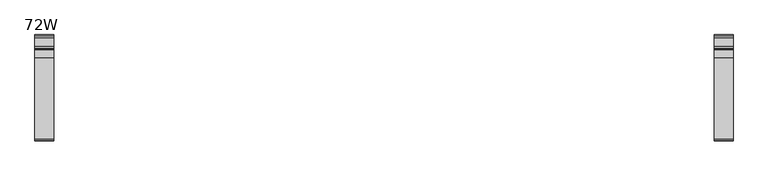
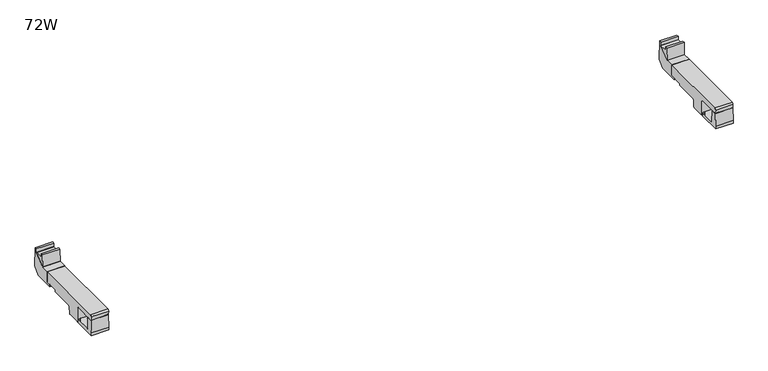
"""IFC4 building model written with IfcOpenShell, lengths in millimetres: furniture geometry, 72W."""

from ifc_helpers import new_model, si_unit, frame, origin, place, context, project, spatial, polyline, circle_curve, ellipse_curve, outline, extrude, faceted_brep, source, transform, mapped, element, save
from ifc_brep_helpers import plane_surface, cylinder_surface, revolved_surface, advanced_brep


def furniture_72w_6aec8f37(model_context):
    return source(origin(), model_context, "Body", "SolidModel", [
        advanced_brep(
        [(1652.1843383, -34.3762385, 694.748492), (1652.1843383, -205.6270499, 694.748492), (1652.1843383, -209.1428417, 691.2327031), (1652.1843383, -208.8189173, 683.339309), (1652.1843383, -208.1362423, 682.8612948), (1652.1843383, -157.5847288, 682.8612948), (1652.1843383, -155.1147078, 680.3912738), (1652.1843383, -155.1147078, 648.1993661), (1652.1843383, -153.1244417, 646.2091), (1652.1843383, -124.7937764, 646.2091), (1652.1843383, -123.0534282, 647.9494482), (1652.1843383, -122.5427758, 662.5726192), (1652.1843383, -120.0715116, 665.0438834), (1652.1843383, -67.0503173, 665.0438834), (1652.1843383, -65.9566254, 665.4969107), (1652.1843383, -65.3708418, 666.9110686), (1652.1843383, -65.3708418, 667.9110802), (1652.1843383, -64.7850536, 669.3253107), (1652.1843383, -63.2994578, 669.9406718), (1652.1843383, -34.3762385, 669.9406718), (1612.1843271, -34.3762385, 694.748492), (1612.1843271, -34.3762385, 669.9406718), (1612.1843271, -63.2994578, 669.9406718), (1612.1843271, -64.7850536, 669.3253107), (1612.1843271, -65.3708418, 667.9110802), (1612.1843271, -65.3708418, 666.9110686), (1612.1843271, -65.9566254, 665.4969107), (1612.1843271, -67.0503173, 665.0438834), (1612.1843271, -120.0715116, 665.0438834), (1612.1843271, -122.5427758, 662.5726192), (1612.1843271, -123.0534282, 647.9494482), (1612.1843271, -124.7937764, 646.2091), (1612.1843271, -153.1244417, 646.2091), (1612.1843271, -155.1147078, 648.1993661), (1612.1843271, -155.1147078, 680.3912738), (1612.1843271, -157.5847288, 682.8612948), (1612.1843271, -208.1362423, 682.8612948), (1612.1843271, -208.8189173, 683.339309), (1612.1843271, -209.1428417, 691.2327031), (1612.1843271, -205.6270499, 694.748492), (1617.1797896, -124.7937764, 646.2091), (1617.1797896, -140.0738437, 646.2091), (1647.2515099, -140.0738437, 646.2091), (1647.2515099, -124.7937764, 646.2091), (1647.1752781, -123.0534282, 647.9494482), (1617.2560215, -123.0534282, 647.9494482), (1646.7094335, -122.682043, 658.5845286), (1635.8513665, -122.6654343, 659.0601406), (1628.5799316, -122.6654343, 659.0601406), (1617.721866, -122.682043, 658.5845286), (1646.2099401, -63.2994578, 669.9406718), (1646.2099401, -34.3762385, 669.9406718), (1618.1059231, -34.3762385, 669.9406718), (1618.1059231, -63.2994578, 669.9406718), (1618.0909291, -64.4119278, 669.4798663), (1646.2277347, -64.3762385, 669.4946495), (1645.9138826, -34.3762385, 679.0393242), (1643.4796033, -34.3762385, 681.4736035), (1620.8362611, -34.3762385, 681.4736035), (1618.4019819, -34.3762385, 679.0393242), (1643.4796033, -64.3762385, 681.4736035), (1645.9138826, -64.3762385, 679.0393242), (1618.4019819, -64.3762385, 679.0393242), (1620.8362611, -64.3762385, 681.4736035), (1628.5799316, -140.0738437, 659.0601406), (1635.8513665, -140.0738437, 659.0601406), (1646.7094335, -140.0738437, 658.5845286), (1617.721866, -140.0738437, 658.5845286)],
        [
            (0, 1),
            (1, 2, circle_curve(frame((1652.1843383, -205.6270499, 691.2327002), z_axis=(1.0, 0.0, 0.0), x_axis=(0.0, 1.0, 0.0)), 3.5157917)),
            (2, 3),
            (3, 4, circle_curve(frame((1652.1843383, -208.2951756, 683.360802), z_axis=(1.0, 0.0, 0.0), x_axis=(0.0, 1.0, 0.0)), 0.5241824)),
            (4, 5),
            (5, 6),
            (6, 7),
            (7, 8, circle_curve(frame((1652.1843383, -153.1244417, 648.1993661), z_axis=(1.0, 0.0, 0.0), x_axis=(0.0, 1.0, 0.0)), 1.9902661)),
            (8, 9),
            (9, 10, circle_curve(frame((1652.1843383, -124.7937764, 647.9494482), z_axis=(1.0, 0.0, 0.0), x_axis=(0.0, 1.0, 0.0)), 1.7403482)),
            (10, 11),
            (11, 12),
            (12, 13),
            (13, 14),
            (14, 15),
            (15, 16),
            (16, 17),
            (17, 18),
            (18, 19),
            (19, 0),
            (20, 21),
            (21, 22),
            (22, 23),
            (23, 24),
            (24, 25),
            (25, 26),
            (26, 27),
            (27, 28),
            (28, 29),
            (29, 30),
            (30, 31, circle_curve(frame((1612.1843271, -124.7937764, 647.9494482), z_axis=(-1.0, 0.0, 0.0), x_axis=(0.0, 1.0, 0.0)), 1.7403482)),
            (31, 32),
            (32, 33, circle_curve(frame((1612.1843271, -153.1244417, 648.1993661), z_axis=(-1.0, 0.0, 0.0), x_axis=(0.0, 1.0, 0.0)), 1.9902661)),
            (33, 34),
            (34, 35),
            (35, 36),
            (36, 37, circle_curve(frame((1612.1843271, -208.2951756, 683.360802), z_axis=(-1.0, 0.0, 0.0), x_axis=(0.0, 1.0, 0.0)), 0.5241824)),
            (37, 38),
            (38, 39, circle_curve(frame((1612.1843271, -205.6270499, 691.2327002), z_axis=(-1.0, 0.0, 0.0), x_axis=(0.0, 1.0, 0.0)), 3.5157917)),
            (39, 20),
            (0, 20),
            (39, 1),
            (38, 2),
            (37, 3),
            (4, 36),
            (35, 5),
            (34, 6),
            (33, 7),
            (32, 8),
            (31, 40),
            (40, 41),
            (41, 42),
            (42, 43),
            (43, 9),
            (43, 44, ellipse_curve(frame((1647.1752781, -124.7937764, 647.9494482), z_axis=(0.9990420426528543, 0.0, 0.0437606788339988), x_axis=(0.043760678833998104, 0.0, -0.9990420426528543)), 1.742017, 1.7403482)),
            (44, 10),
            (30, 45),
            (45, 40, ellipse_curve(frame((1617.2560215, -124.7937764, 647.9494482), z_axis=(-0.9990420429311413, 0.0, 0.04376067248079827), x_axis=(0.043760672480796126, 0.0, 0.9990420429311414)), 1.742017, 1.7403482)),
            (44, 46),
            (46, 47),
            (47, 48),
            (48, 49),
            (49, 45),
            (29, 11),
            (28, 12),
            (27, 13),
            (18, 50),
            (50, 51),
            (51, 19),
            (21, 52),
            (52, 53),
            (53, 22),
            (26, 14),
            (25, 15),
            (24, 16),
            (23, 17),
            (53, 54),
            (54, 55),
            (55, 50),
            (51, 56),
            (56, 57, circle_curve(frame((1643.4796033, -34.3762385, 679.0393242), z_axis=(0.0, -1.0, 0.0), x_axis=(1.0, 0.0, 0.0)), 2.4342793)),
            (57, 58),
            (58, 59, circle_curve(frame((1620.8362611, -34.3762385, 679.0393242), z_axis=(0.0, -1.0, 0.0), x_axis=(1.0, 0.0, 0.0)), 2.4342793)),
            (59, 52),
            (60, 61, circle_curve(frame((1643.4796033, -64.3762385, 679.0393242), z_axis=(0.0, 1.0, 0.0), x_axis=(1.0, 0.0, 0.0)), 2.4342793)),
            (61, 55),
            (54, 62),
            (62, 63, circle_curve(frame((1620.8362611, -64.3762385, 679.0393242), z_axis=(0.0, 1.0, 0.0), x_axis=(1.0, 0.0, 0.0)), 2.4342793)),
            (63, 60),
            (63, 58),
            (57, 60),
            (62, 59),
            (61, 56),
            (64, 65),
            (65, 66),
            (66, 42),
            (41, 67),
            (67, 64),
            (67, 49),
            (48, 64),
            (66, 46),
            (65, 47),
        ],
        [
            plane_surface(frame((1652.1843383, -205.6270499, 694.748492), z_axis=(1.0, 0.0, 0.0), x_axis=(0.0, -1.0, 0.0))),
            plane_surface(frame((1612.1843271, -205.6270499, 694.748492), z_axis=(-1.0, 0.0, 0.0), x_axis=(0.0, 1.0, 0.0))),
            plane_surface(frame((1652.1843383, -34.3762385, 694.748492), z_axis=(0.0, 0.0, 1.0), x_axis=(-1.0, 0.0, 0.0))),
            cylinder_surface(frame((1612.1843271, -205.6270499, 691.2327002), z_axis=(1.0, 0.0, 0.0), x_axis=(0.0, 1.0, 0.0)), 3.5157917),
            plane_surface(frame((1652.1843383, -209.1428417, 691.2327031), z_axis=(0.0, -0.9991590276048403, -0.04100289691899755), x_axis=(-1.0, 0.0, 0.0))),
            plane_surface(frame((1652.1843383, -208.1362423, 682.8612948), z_axis=(0.0, 0.0, -1.0), x_axis=(-1.0, 0.0, 0.0))),
            plane_surface(frame((1652.1843383, -157.5847288, 682.8612948), z_axis=(0.0, -0.7071067811865669, -0.7071067811865281), x_axis=(-1.0, 0.0, 0.0))),
            plane_surface(frame((1652.1843383, -155.1147078, 680.3912738), z_axis=(0.0, -1.0, 0.0), x_axis=(-1.0, 0.0, 0.0))),
            cylinder_surface(frame((1612.1843271, -153.1244417, 648.1993661), z_axis=(1.0, 0.0, 0.0), x_axis=(0.0, 1.0, 0.0)), 1.9902661),
            plane_surface(frame((1652.1843383, -153.1244417, 646.2091), z_axis=(0.0, 0.0, -1.0), x_axis=(-1.0, 0.0, 0.0))),
            cylinder_surface(frame((1612.1843271, -124.7937764, 647.9494482), z_axis=(1.0, 0.0, 0.0), x_axis=(0.0, 1.0, 0.0)), 1.7403482),
            plane_surface(frame((1652.1843383, -123.0534282, 647.9494482), z_axis=(0.0, 0.9993908270182066, -0.03489949672796346), x_axis=(-1.0, 0.0, 0.0))),
            plane_surface(frame((1652.1843383, -122.5427758, 662.5726192), z_axis=(0.0, 0.7071067811865888, -0.7071067811865064), x_axis=(-1.0, 0.0, 0.0))),
            plane_surface(frame((1652.1843383, -120.0715116, 665.0438834), z_axis=(0.0, 0.0, -1.0), x_axis=(-1.0, 0.0, 0.0))),
            plane_surface(frame((1652.1843383, -63.2994578, 669.9406718), z_axis=(0.0, 0.0, -1.0), x_axis=(-1.0, 0.0, 0.0))),
            cylinder_surface(frame((1612.1843271, -208.2951756, 683.360802), z_axis=(1.0, 0.0, 0.0), x_axis=(0.0, 1.0, 0.0)), 0.5241824),
            plane_surface(frame((1652.1843383, -67.0503173, 665.0438834), z_axis=(0.0, 0.3826872177215554, -0.9238779645562151), x_axis=(-1.0, 0.0, 0.0))),
            plane_surface(frame((1652.1843383, -65.9566254, 665.4969107), z_axis=(0.0, 0.9238748481049176, -0.3826947413267075), x_axis=(-1.0, 0.0, 0.0))),
            plane_surface(frame((1652.1843383, -65.3708418, 666.9110686), z_axis=(0.0, 1.0, 0.0), x_axis=(-1.0, 0.0, 0.0))),
            plane_surface(frame((1652.1843383, -65.3708418, 667.9110802), z_axis=(0.0, 0.9238807518005431, -0.38268048872716703), x_axis=(-1.0, 0.0, 0.0))),
            plane_surface(frame((1652.1843383, -64.7850536, 669.3253107), z_axis=(0.0, 0.382687217616281, -0.9238779645998216), x_axis=(-1.0, 0.0, 0.0))),
            plane_surface(frame((1652.1843383, -34.3762385, 669.9406718), z_axis=(0.0, 1.0, 0.0), x_axis=(-1.0, 0.0, 0.0))),
            plane_surface(frame((1620.8362611, -64.3762385, 681.4736035), z_axis=(0.0, 1.0, 0.0), x_axis=(-1.0, 0.0, 0.0))),
            plane_surface(frame((1643.4796033, -64.3762385, 681.4736035), z_axis=(0.0, 0.0, -1.0), x_axis=(0.0, 1.0, 0.0))),
            revolved_surface(polyline([(1623.2705404, -64.3762385, 679.0393242), (1623.2705404, -34.3762385, 679.0393242)]), (1620.8362611, -34.3762385, 679.0393242), (0.0, -1.0, 0.0)),
            plane_surface(frame((1618.4019819, -64.3762385, 679.0393242), z_axis=(0.999471035091396, 0.0, -0.03252153153425422), x_axis=(0.0, 1.0, 0.0))),
            plane_surface(frame((1646.2277347, -64.3762385, 669.3937968), z_axis=(-0.9994710393903289, 0.0, -0.032521399416624276), x_axis=(0.0, 1.0, 0.0))),
            revolved_surface(polyline([(1645.9138826, -64.3762385, 679.0393242), (1645.9138826, -34.3762385, 679.0393242)]), (1643.4796033, -34.3762385, 679.0393242), (0.0, -1.0, 0.0)),
            plane_surface(frame((178.8821527, -140.0738437, 658.5845286), z_axis=(0.0, 1.0000000000000002, 0.0), x_axis=(-0.9990420426677844, 0.0, -0.04376067849315215))),
            plane_surface(frame((1628.5799316, -140.0738437, 659.0601406), z_axis=(0.04376067847361038, 0.0, -0.9990420426686404), x_axis=(0.0, 1.0, 0.0))),
            plane_surface(frame((1617.721866, -140.0738437, 658.5845286), z_axis=(0.9990420429311413, 0.0, -0.04376067248079827), x_axis=(0.0, 1.0, 0.0))),
            plane_surface(frame((1647.3317659, -140.0738437, 644.376883), z_axis=(-0.9990420426528543, 0.0, -0.0437606788339988), x_axis=(0.0, 1.0, 0.0))),
            plane_surface(frame((1646.7094335, -140.0738437, 658.5845286), z_axis=(-0.04376067284080708, 0.0, -0.999042042915372), x_axis=(0.0, 1.0, 0.0))),
            plane_surface(frame((1635.8513665, -140.0738437, 659.0601406), z_axis=(0.0, 0.0, -1.0), x_axis=(0.0, 1.0, 0.0))),
        ],
        [
            (0, [[1, 2, 3, 4, 5, 6, 7, 8, 9, 10, 11, 12, 13, 14, 15, 16, 17, 18, 19, 20]]),
            (1, [[21, 22, 23, 24, 25, 26, 27, 28, 29, 30, 31, 32, 33, 34, 35, 36, 37, 38, 39, 40]]),
            (2, [[-1, 41, -40, 42]]),
            (3, [[-2, -42, -39, 43]]),
            (4, [[-3, -43, -38, 44]]),
            (5, [[-5, 45, -36, 46]]),
            (6, [[-6, -46, -35, 47]]),
            (7, [[-7, -47, -34, 48]]),
            (8, [[-8, -48, -33, 49]]),
            (9, [[-9, -49, -32, 50, 51, 52, 53, 54]]),
            (10, [[-10, -54, 55, 56]]),
            (10, [[-31, 57, 58, -50]]),
            (11, [[-11, -56, 59, 60, 61, 62, 63, -57, -30, 64]]),
            (12, [[-12, -64, -29, 65]]),
            (13, [[-13, -65, -28, 66]]),
            (14, [[-19, 67, 68, 69]]),
            (14, [[-22, 70, 71, 72]]),
            (15, [[-4, -44, -37, -45]]),
            (16, [[-14, -66, -27, 73]]),
            (17, [[-15, -73, -26, 74]]),
            (18, [[-16, -74, -25, 75]]),
            (19, [[-17, -75, -24, 76]]),
            (20, [[-18, -76, -23, -72, 77, 78, 79, -67]]),
            (21, [[-20, -69, 80, 81, 82, 83, 84, -70, -21, -41]]),
            (22, [[85, 86, -78, 87, 88, 89]]),
            (23, [[-89, 90, -82, 91]]),
            (24, [[-88, 92, -83, -90]]),
            (25, [[-87, -77, -71, -84, -92]]),
            (26, [[-86, 93, -80, -68, -79]]),
            (27, [[-85, -91, -81, -93]]),
            (28, [[94, 95, 96, -52, 97, 98]]),
            (29, [[-98, 99, -62, 100]]),
            (30, [[-97, -51, -58, -63, -99]]),
            (31, [[-96, 101, -59, -55, -53]]),
            (32, [[-95, 102, -60, -101]]),
            (33, [[-94, -100, -61, -102]]),
        ],
    ),
        advanced_brep(
        [(204.718015, -64.3762385, 682.0986035), (207.1522943, -64.3762385, 679.6643242), (207.4661464, -64.3762385, 670.0187968), (179.3265402, -64.3762385, 670.0187968), (179.6403935, -64.3762385, 679.6643242), (182.0746728, -64.3762385, 682.0986035), (182.0746728, -34.3762385, 682.0986035), (204.718015, -34.3762385, 682.0986035), (179.6403935, -34.3762385, 679.6643242), (179.3265402, -63.1108495, 670.0187968), (179.3265402, -34.3762385, 670.0187968), (207.4661464, -63.1108495, 670.0187968), (207.1522943, -34.3762385, 679.6643242), (207.4661464, -34.3762385, 670.0187968), (213.3963495, -34.3762385, 694.748492), (213.3963495, -205.6270499, 694.748492), (213.3963495, -209.1428417, 691.2327031), (213.3963495, -208.8189173, 683.339309), (213.3963495, -208.1362423, 682.8612948), (213.3963495, -157.5847288, 682.8612948), (213.3963495, -155.1147078, 680.3912738), (213.3963495, -155.1147078, 648.1993661), (213.3963495, -153.1244417, 646.2091), (213.3963495, -124.7937764, 646.2091), (213.3963495, -123.0534282, 647.9494482), (213.3963495, -122.5427758, 662.5726192), (213.3963495, -120.0715116, 665.0438834), (213.3963495, -67.0503173, 665.0438834), (213.3963495, -65.9566254, 665.4969107), (213.3963495, -65.3708418, 666.9110686), (213.3963495, -65.3708418, 667.9110802), (213.3963495, -64.7850536, 669.3253107), (213.3963495, -63.1108495, 670.0187968), (213.3963495, -34.3762385, 670.0187968), (173.3963383, -34.3762385, 694.748492), (173.3963383, -34.3762385, 670.0187968), (173.3963383, -63.1108495, 670.0187968), (173.3963383, -64.7850536, 669.3253107), (173.3963383, -65.3708418, 667.9110802), (173.3963383, -65.3708418, 666.9110686), (173.3963383, -65.9566254, 665.4969107), (173.3963383, -67.0503173, 665.0438834), (173.3963383, -120.0715116, 665.0438834), (173.3963383, -122.5427758, 662.5726192), (173.3963383, -123.0534282, 647.9494482), (173.3963383, -124.7937764, 646.2091), (173.3963383, -153.1244417, 646.2091), (173.3963383, -155.1147078, 648.1993661), (173.3963383, -155.1147078, 680.3912738), (173.3963383, -157.5847288, 682.8612948), (173.3963383, -208.1362423, 682.8612948), (173.3963383, -208.8189173, 683.339309), (173.3963383, -209.1428417, 691.2327031), (173.3963383, -205.6270499, 694.748492), (178.3400763, -124.7937764, 646.2091), (178.3400763, -140.0738437, 646.2091), (208.4117966, -140.0738437, 646.2091), (208.4117966, -124.7937764, 646.2091), (208.3355648, -123.0534282, 647.9494482), (178.4163082, -123.0534282, 647.9494482), (207.8697202, -122.682043, 658.5845286), (197.0116532, -122.6654343, 659.0601406), (189.7402183, -122.6654343, 659.0601406), (178.8821527, -122.682043, 658.5845286), (189.7402183, -140.0738437, 659.0601406), (197.0116532, -140.0738437, 659.0601406), (207.8697202, -140.0738437, 658.5845286), (178.8821527, -140.0738437, 658.5845286)],
        [
            (0, 1, circle_curve(frame((204.718015, -64.3762385, 679.6643242), z_axis=(0.0, 1.0, 0.0), x_axis=(1.0, 0.0, 0.0)), 2.4342793)),
            (1, 2),
            (2, 3),
            (3, 4),
            (4, 5, circle_curve(frame((182.0746728, -64.3762385, 679.6643242), z_axis=(0.0, 1.0, 0.0), x_axis=(1.0, 0.0, 0.0)), 2.4342793)),
            (5, 0),
            (5, 6),
            (6, 7),
            (7, 0),
            (4, 8),
            (8, 6, circle_curve(frame((182.0746728, -34.3762385, 679.6643242), z_axis=(0.0, 1.0, 0.0), x_axis=(1.0, 0.0, 0.0)), 2.4342793)),
            (3, 9),
            (9, 10),
            (10, 8),
            (2, 11),
            (11, 9),
            (1, 12),
            (12, 13),
            (13, 11),
            (7, 12, circle_curve(frame((204.718015, -34.3762385, 679.6643242), z_axis=(0.0, 1.0, 0.0), x_axis=(1.0, 0.0, 0.0)), 2.4342793)),
            (14, 15),
            (15, 16, circle_curve(frame((213.3963495, -205.6270499, 691.2327002), z_axis=(1.0, 0.0, 0.0), x_axis=(0.0, 1.0, 0.0)), 3.5157917)),
            (16, 17),
            (17, 18, circle_curve(frame((213.3963495, -208.2951756, 683.360802), z_axis=(1.0, 0.0, 0.0), x_axis=(0.0, 1.0, 0.0)), 0.5241824)),
            (18, 19),
            (19, 20),
            (20, 21),
            (21, 22, circle_curve(frame((213.3963495, -153.1244417, 648.1993661), z_axis=(1.0, 0.0, 0.0), x_axis=(0.0, 1.0, 0.0)), 1.9902661)),
            (22, 23),
            (23, 24, circle_curve(frame((213.3963495, -124.7937764, 647.9494482), z_axis=(1.0, 0.0, 0.0), x_axis=(0.0, 1.0, 0.0)), 1.7403482)),
            (24, 25),
            (25, 26),
            (26, 27),
            (27, 28),
            (28, 29),
            (29, 30),
            (30, 31),
            (31, 32),
            (32, 33),
            (33, 14),
            (34, 35),
            (35, 36),
            (36, 37),
            (37, 38),
            (38, 39),
            (39, 40),
            (40, 41),
            (41, 42),
            (42, 43),
            (43, 44),
            (44, 45, circle_curve(frame((173.3963383, -124.7937764, 647.9494482), z_axis=(-1.0, 0.0, 0.0), x_axis=(0.0, 1.0, 0.0)), 1.7403482)),
            (45, 46),
            (46, 47, circle_curve(frame((173.3963383, -153.1244417, 648.1993661), z_axis=(-1.0, 0.0, 0.0), x_axis=(0.0, 1.0, 0.0)), 1.9902661)),
            (47, 48),
            (48, 49),
            (49, 50),
            (50, 51, circle_curve(frame((173.3963383, -208.2951756, 683.360802), z_axis=(-1.0, 0.0, 0.0), x_axis=(0.0, 1.0, 0.0)), 0.5241824)),
            (51, 52),
            (52, 53, circle_curve(frame((173.3963383, -205.6270499, 691.2327002), z_axis=(-1.0, 0.0, 0.0), x_axis=(0.0, 1.0, 0.0)), 3.5157917)),
            (53, 34),
            (14, 34),
            (53, 15),
            (52, 16),
            (51, 17),
            (18, 50),
            (49, 19),
            (48, 20),
            (47, 21),
            (46, 22),
            (45, 54),
            (54, 55),
            (55, 56),
            (56, 57),
            (57, 23),
            (57, 58, ellipse_curve(frame((208.3355648, -124.7937764, 647.9494482), z_axis=(0.9990420426677843, 0.0, 0.04376067849315382), x_axis=(0.04376067849315236, 0.0, -0.9990420426677845)), 1.742017, 1.7403482)),
            (58, 24),
            (44, 59),
            (59, 54, ellipse_curve(frame((178.4163082, -124.7937764, 647.9494482), z_axis=(-0.9990420429162121, 0.0, 0.043760672821627045), x_axis=(0.043760672821625185, 0.0, 0.999042042916212)), 1.742017, 1.7403482)),
            (58, 60),
            (60, 61),
            (61, 62),
            (62, 63),
            (63, 59),
            (43, 25),
            (42, 26),
            (41, 27),
            (32, 11),
            (13, 33),
            (35, 10),
            (9, 36),
            (40, 28),
            (39, 29),
            (38, 30),
            (37, 31),
            (64, 65),
            (65, 66),
            (66, 56),
            (55, 67),
            (67, 64),
            (67, 63),
            (62, 64),
            (66, 60),
            (65, 61),
        ],
        [
            plane_surface(frame((182.0746728, -64.3762385, 682.0986035), z_axis=(0.0, 1.0, 0.0), x_axis=(-1.0, 0.0, 0.0))),
            plane_surface(frame((204.718015, -64.3762385, 682.0986035), z_axis=(0.0, 0.0, -1.0), x_axis=(0.0, 1.0, 0.0))),
            revolved_surface(polyline([(184.5089521, -64.3762385, 679.6643242), (184.5089521, -34.3762385, 679.6643242)]), (182.0746728, -34.3762385, 679.6643242), (0.0, -1.0, 0.0)),
            plane_surface(frame((179.6403935, -64.3762385, 679.6643242), z_axis=(0.9994710350913933, 0.0, -0.03252153153433829), x_axis=(0.0, 1.0, 0.0))),
            plane_surface(frame((179.3265402, -64.3762385, 670.0187968), z_axis=(0.0, 0.0, 1.0), x_axis=(0.0, 1.0, 0.0))),
            plane_surface(frame((207.4661464, -64.3762385, 670.0187968), z_axis=(-0.999471039390332, 0.0, -0.03252139941653), x_axis=(0.0, 1.0, 0.0))),
            revolved_surface(polyline([(207.1522943, -64.3762385, 679.6643242), (207.1522943, -34.3762385, 679.6643242)]), (204.718015, -34.3762385, 679.6643242), (0.0, -1.0, 0.0)),
            plane_surface(frame((213.3963495, -205.6270499, 694.748492), z_axis=(1.0, 0.0, 0.0), x_axis=(0.0, -1.0, 0.0))),
            plane_surface(frame((173.3963383, -205.6270499, 694.748492), z_axis=(-1.0, 0.0, 0.0), x_axis=(0.0, 1.0, 0.0))),
            plane_surface(frame((213.3963495, -34.3762385, 694.748492), z_axis=(0.0, 0.0, 1.0), x_axis=(-1.0, 0.0, 0.0))),
            cylinder_surface(frame((173.3963383, -205.6270499, 691.2327002), z_axis=(1.0, 0.0, 0.0), x_axis=(0.0, 1.0, 0.0)), 3.5157917),
            plane_surface(frame((213.3963495, -209.1428417, 691.2327031), z_axis=(0.0, -0.9991590276048403, -0.041002896918997445), x_axis=(-1.0, 0.0, 0.0))),
            plane_surface(frame((213.3963495, -208.1362423, 682.8612948), z_axis=(0.0, 0.0, -1.0), x_axis=(-1.0, 0.0, 0.0))),
            plane_surface(frame((213.3963495, -157.5847288, 682.8612948), z_axis=(0.0, -0.7071067811865669, -0.7071067811865281), x_axis=(-1.0, 0.0, 0.0))),
            plane_surface(frame((213.3963495, -155.1147078, 680.3912738), z_axis=(0.0, -1.0, 0.0), x_axis=(-1.0, 0.0, 0.0))),
            cylinder_surface(frame((173.3963383, -153.1244417, 648.1993661), z_axis=(1.0, 0.0, 0.0), x_axis=(0.0, 1.0, 0.0)), 1.9902661),
            plane_surface(frame((213.3963495, -153.1244417, 646.2091), z_axis=(0.0, 0.0, -1.0), x_axis=(-1.0, 0.0, 0.0))),
            cylinder_surface(frame((173.3963383, -124.7937764, 647.9494482), z_axis=(1.0, 0.0, 0.0), x_axis=(0.0, 1.0, 0.0)), 1.7403482),
            plane_surface(frame((213.3963495, -123.0534282, 647.9494482), z_axis=(0.0, 0.9993908270182066, -0.03489949672796346), x_axis=(-1.0, 0.0, 0.0))),
            plane_surface(frame((213.3963495, -122.5427758, 662.5726192), z_axis=(0.0, 0.7071067811865888, -0.7071067811865064), x_axis=(-1.0, 0.0, 0.0))),
            plane_surface(frame((213.3963495, -120.0715116, 665.0438834), z_axis=(0.0, 0.0, -1.0), x_axis=(-1.0, 0.0, 0.0))),
            plane_surface(frame((213.3963495, -63.1108495, 670.0187968), z_axis=(0.0, 0.0, -1.0), x_axis=(-1.0, 0.0, 0.0))),
            cylinder_surface(frame((173.3963383, -208.2951756, 683.360802), z_axis=(1.0, 0.0, 0.0), x_axis=(0.0, 1.0, 0.0)), 0.5241824),
            plane_surface(frame((213.3963495, -67.0503173, 665.0438834), z_axis=(0.0, 0.3826872177215554, -0.9238779645562151), x_axis=(-1.0, 0.0, 0.0))),
            plane_surface(frame((213.3963495, -65.9566254, 665.4969107), z_axis=(0.0, 0.9238748481049176, -0.3826947413267075), x_axis=(-1.0, 0.0, 0.0))),
            plane_surface(frame((213.3963495, -65.3708418, 666.9110686), z_axis=(0.0, 1.0, 0.0), x_axis=(-1.0, 0.0, 0.0))),
            plane_surface(frame((213.3963495, -65.3708418, 667.9110802), z_axis=(0.0, 0.9238807518005431, -0.38268048872716703), x_axis=(-1.0, 0.0, 0.0))),
            plane_surface(frame((213.3963495, -64.7850536, 669.3253107), z_axis=(0.0, 0.38268721761631463, -0.9238779645998076), x_axis=(-1.0, 0.0, 0.0))),
            plane_surface(frame((213.3963495, -34.3762385, 670.0187968), z_axis=(0.0, 1.0, 0.0), x_axis=(-1.0, 0.0, 0.0))),
            plane_surface(frame((178.8821527, -140.0738437, 658.5845286), z_axis=(0.0, 1.0000000000000002, 0.0), x_axis=(-0.9990420426677844, 0.0, -0.04376067849315215))),
            plane_surface(frame((189.7402183, -140.0738437, 659.0601406), z_axis=(0.04376067849315215, 0.0, -0.9990420426677844), x_axis=(0.0, 1.0, 0.0))),
            plane_surface(frame((178.8821527, -140.0738437, 658.5845286), z_axis=(0.9990420429162121, 0.0, -0.043760672821627045), x_axis=(0.0, 1.0, 0.0))),
            plane_surface(frame((208.4920526, -140.0738437, 644.376883), z_axis=(-0.9990420426677843, 0.0, -0.04376067849315382), x_axis=(0.0, 1.0, 0.0))),
            plane_surface(frame((207.8697202, -140.0738437, 658.5845286), z_axis=(-0.043760672821278684, 0.0, -0.9990420429162273), x_axis=(0.0, 1.0, 0.0))),
            plane_surface(frame((197.0116532, -140.0738437, 659.0601406), z_axis=(0.0, 0.0, -1.0), x_axis=(0.0, 1.0, 0.0))),
        ],
        [
            (0, [[1, 2, 3, 4, 5, 6]]),
            (1, [[-6, 7, 8, 9]]),
            (2, [[-5, 10, 11, -7]]),
            (3, [[-4, 12, 13, 14, -10]]),
            (4, [[-3, 15, 16, -12]]),
            (5, [[-2, 17, 18, 19, -15]]),
            (6, [[-1, -9, 20, -17]]),
            (7, [[21, 22, 23, 24, 25, 26, 27, 28, 29, 30, 31, 32, 33, 34, 35, 36, 37, 38, 39, 40]]),
            (8, [[41, 42, 43, 44, 45, 46, 47, 48, 49, 50, 51, 52, 53, 54, 55, 56, 57, 58, 59, 60]]),
            (9, [[-21, 61, -60, 62]]),
            (10, [[-22, -62, -59, 63]]),
            (11, [[-23, -63, -58, 64]]),
            (12, [[-25, 65, -56, 66]]),
            (13, [[-26, -66, -55, 67]]),
            (14, [[-27, -67, -54, 68]]),
            (15, [[-28, -68, -53, 69]]),
            (16, [[-29, -69, -52, 70, 71, 72, 73, 74]]),
            (17, [[-30, -74, 75, 76]]),
            (17, [[-51, 77, 78, -70]]),
            (18, [[-31, -76, 79, 80, 81, 82, 83, -77, -50, 84]]),
            (19, [[-32, -84, -49, 85]]),
            (20, [[-33, -85, -48, 86]]),
            (21, [[-39, 87, -19, 88]]),
            (21, [[-42, 89, -13, 90]]),
            (22, [[-24, -64, -57, -65]]),
            (23, [[-34, -86, -47, 91]]),
            (24, [[-35, -91, -46, 92]]),
            (25, [[-36, -92, -45, 93]]),
            (26, [[-37, -93, -44, 94]]),
            (27, [[-38, -94, -43, -90, -16, -87]]),
            (28, [[-40, -88, -18, -20, -8, -11, -14, -89, -41, -61]]),
            (29, [[95, 96, 97, -72, 98, 99]]),
            (30, [[-99, 100, -82, 101]]),
            (31, [[-98, -71, -78, -83, -100]]),
            (32, [[-97, 102, -79, -75, -73]]),
            (33, [[-96, 103, -80, -102]]),
            (34, [[-95, -101, -81, -103]]),
        ],
    ),
        faceted_brep([(213.3963495, 1.4987638, 665.2243243), (213.3963495, 15.4987633, 679.2242692), (213.3963495, 14.2414636, 724.2242841), (213.3963495, 9.4996035, 724.2242841), (213.3963495, 9.4996035, 716.2017992), (213.3963495, -15.5003961, 695.2243087), (213.3963495, -34.3762385, 695.2243087), (213.3963495, -34.3762385, 670.2243098), (213.3963495, -44.3762385, 670.2243098), (213.3963495, -44.3762385, 665.2243243), (173.3963383, 1.4987638, 665.2243243), (173.3963383, -44.3762385, 665.2243243), (173.3963383, -44.3762385, 670.2243098), (173.3963383, -34.3762385, 670.2243098), (173.3963383, -34.3762385, 695.2243087), (173.3963383, -15.5003961, 695.2243087), (173.3963383, 9.4996035, 716.2017992), (173.3963383, 9.4996035, 724.2242841), (173.3963383, 14.2414636, 724.2242841), (173.3963383, 15.4987633, 679.2242692), (179.3332273, -34.3762385, 670.2243098), (179.3265402, -34.3762385, 670.0187968), (207.4661464, -34.3762385, 670.0187968), (207.4594593, -34.3762385, 670.2243098), (207.4594593, -44.3762385, 670.2243098), (179.3332273, -44.3762385, 670.2243098), (207.4661464, -44.3762385, 670.0187968), (179.3265402, -44.3762385, 670.0187968)], [[[0, 1, 2, 3, 4, 5, 6, 7, 8, 9]], [[10, 11, 12, 13, 14, 15, 16, 17, 18, 19]], [[1, 0, 10, 19]], [[2, 1, 19, 18]], [[3, 2, 18, 17]], [[7, 6, 14, 13, 20, 21, 22, 23]], [[8, 7, 23, 24]], [[13, 12, 25, 20]], [[9, 8, 24, 26, 27, 25, 12, 11]], [[0, 9, 11, 10]], [[4, 3, 17, 16]], [[5, 4, 16, 15]], [[6, 5, 15, 14]], [[21, 20, 25, 27]], [[22, 21, 27, 26]], [[23, 22, 26, 24]]]),
        advanced_brep(
        [(1618.3244831, -141.7010771, 652.8966), (1618.3244831, -141.7010771, 645.8966), (1617.855545, -143.4503243, 645.8966), (1617.855545, -143.4503243, 652.8966), (1619.6049653, -140.4205949, 652.8966), (1619.6049653, -140.4205949, 645.8966), (1621.3542125, -139.9516569, 652.8966), (1620.8984275, -140.0738437, 645.8966), (1612.6232514, -156.9508595, 652.8966), (1612.6232514, -156.9508595, 645.8966), (1612.1843271, -158.5897425, 645.8966), (1612.1843271, -158.5897425, 652.8966), (1613.3547476, -156.2193633, 652.8966), (1613.3547476, -156.2193633, 645.8966), (1614.3543266, -155.9516568, 652.8966), (1614.3543266, -155.9516568, 645.8966), (1617.3557734, -155.9516568, 652.8966), (1617.3557734, -155.9516568, 645.8966), (1617.855545, -155.0828126, 652.8966), (1617.855545, -155.0828126, 645.8966), (1646.6482352, -155.0828126, 652.8966), (1646.6482352, -155.0828126, 645.8966), (1646.6482352, -143.4503243, 645.8966), (1646.6482352, -143.4503243, 652.8966), (1647.1480068, -155.9516568, 652.8966), (1647.1480068, -155.9516568, 645.8966), (1650.1494536, -155.9516568, 652.8966), (1650.1494536, -155.9516568, 645.8966), (1651.1490326, -156.2193631, 652.8966), (1651.1490326, -156.2193631, 645.8966), (1651.8805286, -156.9508595, 652.8966), (1651.8805286, -156.9508595, 645.8966), (1652.1843383, -158.0852431, 652.8966), (1652.1843383, -158.0852431, 645.8966), (1644.898815, -140.4205949, 652.8966), (1644.898815, -140.4205949, 645.8966), (1643.6053528, -140.0738437, 645.8966), (1643.1495679, -139.9516569, 652.8966), (1646.1792972, -141.7010771, 652.8966), (1646.1792972, -141.7010771, 645.8966), (1652.1843383, -192.6231607, 652.8966), (1652.1843383, -195.035912, 655.3093513), (1652.1843383, -195.9812599, 682.3805731), (1652.1843383, -208.9220534, 682.3805731), (1652.1843383, -209.9516568, 652.8966), (1652.1843383, -209.8294706, 645.8966), (1612.1843271, -209.8294706, 645.8966), (1612.1843271, -209.9516568, 652.8966), (1612.1843271, -208.9220534, 682.3805731), (1612.1843271, -195.9812599, 682.3805731), (1612.1843271, -195.035912, 655.3093513), (1612.1843271, -192.6231607, 652.8966)],
        [
            (0, 1),
            (1, 2),
            (2, 3),
            (3, 0),
            (0, 4),
            (4, 5),
            (5, 1),
            (4, 6),
            (6, 7),
            (7, 5),
            (8, 9),
            (9, 10),
            (10, 11),
            (11, 8),
            (8, 12),
            (12, 13),
            (13, 9),
            (12, 14),
            (14, 15),
            (15, 13),
            (14, 16),
            (16, 17),
            (17, 15),
            (16, 18, circle_curve(frame((1616.850424, -155.0828126, 652.8966), z_axis=(0.0, 0.0, 1.0), x_axis=(1.0, 0.0, 0.0)), 1.005121)),
            (18, 19),
            (19, 17, circle_curve(frame((1616.850424, -155.0828126, 645.8966), z_axis=(0.0, 0.0, -1.0), x_axis=(1.0, 0.0, 0.0)), 1.005121)),
            (2, 19),
            (18, 3),
            (20, 21),
            (21, 22),
            (22, 23),
            (23, 20),
            (20, 24, circle_curve(frame((1647.6533564, -155.0828126, 652.8966), z_axis=(0.0, 0.0, 1.0), x_axis=(1.0, 0.0, 0.0)), 1.0051211)),
            (24, 25),
            (25, 21, circle_curve(frame((1647.6533564, -155.0828126, 645.8966), z_axis=(0.0, 0.0, -1.0), x_axis=(1.0, 0.0, 0.0)), 1.0051211)),
            (24, 26),
            (26, 27),
            (27, 25),
            (26, 28),
            (28, 29),
            (29, 27),
            (28, 30),
            (30, 31),
            (31, 29),
            (30, 32),
            (32, 33),
            (33, 31),
            (34, 35),
            (35, 36),
            (36, 37),
            (37, 34),
            (34, 38),
            (38, 39),
            (39, 35),
            (22, 39),
            (38, 23),
            (40, 41, circle_curve(frame((1652.1843383, -192.6231607, 655.3093513), z_axis=(-1.0, 0.0, 0.0), x_axis=(0.0, 1.0, 0.0)), 2.4127513)),
            (41, 42),
            (42, 43),
            (43, 44),
            (44, 45),
            (45, 33),
            (32, 40),
            (46, 47),
            (47, 48),
            (48, 49),
            (49, 50),
            (50, 51, circle_curve(frame((1612.1843271, -192.6231607, 655.3093513), z_axis=(1.0, 0.0, 0.0), x_axis=(0.0, 1.0, 0.0)), 2.4127513)),
            (51, 11),
            (10, 46),
            (36, 7),
            (6, 37),
            (51, 40),
            (50, 41),
            (49, 42),
            (48, 43),
            (47, 44),
            (46, 45),
        ],
        [
            plane_surface(frame((1617.855545, -143.4503243, 652.8966), z_axis=(-0.9658942540049986, 0.25893684573680786, 0.0), x_axis=(0.0, 0.0, -1.0))),
            plane_surface(frame((1618.3244831, -141.7010771, 652.8966), z_axis=(-0.7071067760398695, 0.7071067863332255, 0.0), x_axis=(0.0, 0.0, -1.0))),
            plane_surface(frame((1619.6049653, -140.4205949, 652.8966), z_axis=(-0.2589368493370097, 0.9658942530398568, 0.0), x_axis=(0.0, 0.0, -1.0))),
            plane_surface(frame((1610.636795, -164.3680151, 652.8966), z_axis=(-0.9659572192072925, 0.2587018567024883, 0.0), x_axis=(0.0, 0.0, -1.0))),
            plane_surface(frame((1612.6232514, -156.9508595, 652.8966), z_axis=(-0.7071067811866456, 0.7071067811864494, 0.0), x_axis=(0.0, 0.0, -1.0))),
            plane_surface(frame((1613.3547476, -156.2193633, 652.8966), z_axis=(-0.2587018567027082, 0.9659572192072337, 0.0), x_axis=(0.0, 0.0, -1.0))),
            plane_surface(frame((1614.3543266, -155.9516568, 652.8966), z_axis=(0.0, 1.0, 0.0), x_axis=(0.0, 0.0, -1.0))),
            revolved_surface(polyline([(1617.855545, -155.0828126, 652.8966), (1617.855545, -155.0828126, 645.8966)]), (1616.850424, -155.0828126, 667.9051241), (0.0, 0.0, 1.0)),
            plane_surface(frame((1617.855545, -155.0828126, 652.8966), z_axis=(-1.0, 0.0, 0.0), x_axis=(0.0, 0.0, -1.0))),
            plane_surface(frame((1646.6482352, -143.4503243, 652.8966), z_axis=(1.0, 0.0, 0.0), x_axis=(0.0, 0.0, -1.0))),
            revolved_surface(polyline([(1648.6584775, -155.0828126, 652.8966), (1648.6584775, -155.0828126, 645.8966)]), (1647.6533564, -155.0828126, 667.9051241), (0.0, 0.0, 1.0)),
            plane_surface(frame((1647.1480068, -155.9516568, 652.8966), z_axis=(0.0, 1.0, 0.0), x_axis=(0.0, 0.0, -1.0))),
            plane_surface(frame((1650.1494536, -155.9516568, 652.8966), z_axis=(0.25870169708208945, 0.9659572619566804, 0.0), x_axis=(0.0, 0.0, -1.0))),
            plane_surface(frame((1651.1490326, -156.2193631, 652.8966), z_axis=(0.707106999254625, 0.7071065631184029, 0.0), x_axis=(0.0, 0.0, -1.0))),
            plane_surface(frame((1651.8805286, -156.9508595, 652.8966), z_axis=(0.9659572113389562, 0.2587018860817742, 0.0), x_axis=(0.0, 0.0, -1.0))),
            plane_surface(frame((1635.5725361, -137.9204069, 652.8966), z_axis=(0.25893684573687087, 0.9658942540049817, 0.0), x_axis=(0.0, 0.0, -1.0))),
            plane_surface(frame((1644.898815, -140.4205949, 652.8966), z_axis=(0.7071067811865429, 0.7071067811865522, 0.0), x_axis=(0.0, 0.0, -1.0))),
            plane_surface(frame((1646.1792972, -141.7010771, 652.8966), z_axis=(0.9658942540049986, 0.25893684573680786, 0.0), x_axis=(0.0, 0.0, -1.0))),
            plane_surface(frame((1652.1843383, -140.0738437, 645.8966), z_axis=(1.0, 0.0, 0.0), x_axis=(0.0, 0.017452598318764508, 0.9998476918070691))),
            plane_surface(frame((1612.1843271, -140.0738437, 645.8966), z_axis=(-1.0, 0.0, 0.0), x_axis=(0.0, -0.017452598318764508, -0.9998476918070691))),
            plane_surface(frame((1652.1843383, -140.0738437, 645.8966), z_axis=(0.0, 0.9998476918070691, -0.017452598318764508), x_axis=(-1.0, 0.0, 0.0))),
            plane_surface(frame((1652.1843383, -139.9516569, 652.8966), z_axis=(0.0, 0.0, 1.0), x_axis=(-1.0, 0.0, 0.0))),
            revolved_surface(polyline([(1612.1843271, -190.2104094, 655.3093513), (1652.1843383, -190.2104094, 655.3093513)]), (1612.1843271, -192.6231607, 655.3093513), (-1.0, 0.0, 0.0)),
            plane_surface(frame((1652.1843383, -195.035912, 655.3093513), z_axis=(0.0, 0.9993908270202339, 0.03489949666991039), x_axis=(-1.0, 0.0, 0.0))),
            plane_surface(frame((1652.1843383, -195.9812599, 682.3805731), z_axis=(0.0, 0.0, 1.0), x_axis=(-1.0, 0.0, 0.0))),
            plane_surface(frame((1652.1843383, -208.9220534, 682.3805731), z_axis=(0.0, -0.9993908266368363, 0.0348995076489783), x_axis=(-1.0, 0.0, 0.0))),
            plane_surface(frame((1652.1843383, -209.9516568, 652.8966), z_axis=(0.0, -0.9998476933637703, -0.01745250913616792), x_axis=(-1.0, 0.0, 0.0))),
            plane_surface(frame((1652.1843383, -209.8294706, 645.8966), z_axis=(0.0, 0.0, -1.0), x_axis=(-1.0, 0.0, 0.0))),
        ],
        [
            (0, [[1, 2, 3, 4]]),
            (1, [[-1, 5, 6, 7]]),
            (2, [[-6, 8, 9, 10]]),
            (3, [[11, 12, 13, 14]]),
            (4, [[-11, 15, 16, 17]]),
            (5, [[-16, 18, 19, 20]]),
            (6, [[-19, 21, 22, 23]]),
            (7, [[-22, 24, 25, 26]]),
            (8, [[-3, 27, -25, 28]]),
            (9, [[29, 30, 31, 32]]),
            (10, [[-29, 33, 34, 35]]),
            (11, [[-34, 36, 37, 38]]),
            (12, [[-37, 39, 40, 41]]),
            (13, [[-40, 42, 43, 44]]),
            (14, [[-43, 45, 46, 47]]),
            (15, [[48, 49, 50, 51]]),
            (16, [[-48, 52, 53, 54]]),
            (17, [[-31, 55, -53, 56]]),
            (18, [[57, 58, 59, 60, 61, 62, -46, 63]]),
            (19, [[64, 65, 66, 67, 68, 69, -13, 70]]),
            (20, [[71, -9, 72, -50]]),
            (21, [[73, -63, -45, -42, -39, -36, -33, -32, -56, -52, -51, -72, -8, -5, -4, -28, -24, -21, -18, -15, -14, -69]]),
            (22, [[-57, -73, -68, 74]]),
            (23, [[-58, -74, -67, 75]]),
            (24, [[-59, -75, -66, 76]]),
            (25, [[-60, -76, -65, 77]]),
            (26, [[-61, -77, -64, 78]]),
            (27, [[-78, -70, -12, -17, -20, -23, -26, -27, -2, -7, -10, -71, -49, -54, -55, -30, -35, -38, -41, -44, -47, -62]]),
        ],
    ),
        advanced_brep(
        [(213.3963495, -192.6231607, 652.8966), (213.3963495, -195.035912, 655.3093513), (213.3963495, -195.9812599, 682.3805731), (213.3963495, -208.9220534, 682.3805731), (213.3963495, -209.9516568, 652.8966), (213.3963495, -209.8294706, 645.8966), (213.3963495, -158.5708545, 645.8966), (213.3963495, -158.5708545, 652.8966), (173.3963383, -209.8294706, 645.8966), (173.3963383, -209.9516568, 652.8966), (173.3963383, -208.9220534, 682.3805731), (173.3963383, -195.9812599, 682.3805731), (173.3963383, -195.035912, 655.3093513), (173.3963383, -192.6231607, 652.8966), (173.3963383, -158.1041306, 652.8966), (173.3963383, -158.1041306, 645.8966), (204.6873079, -140.0738437, 645.8966), (181.9803825, -140.0738437, 645.8966), (182.4361675, -139.9516569, 652.8966), (204.2315229, -139.9516569, 652.8966), (212.9624838, -156.9508595, 652.8966), (212.2309876, -156.2193633, 652.8966), (211.2314086, -155.9516568, 652.8966), (208.2299618, -155.9516568, 652.8966), (207.7301902, -155.0828126, 652.8966), (207.7301902, -143.4503243, 652.8966), (207.2612522, -141.7010771, 652.8966), (205.98077, -140.4205949, 652.8966), (180.6869203, -140.4205949, 652.8966), (179.4064381, -141.7010771, 652.8966), (178.9375, -143.4503243, 652.8966), (178.9375, -155.0828126, 652.8966), (178.4377284, -155.9516568, 652.8966), (175.4362817, -155.9516568, 652.8966), (174.4367026, -156.2193633, 652.8966), (173.7052064, -156.9508595, 652.8966), (173.7052064, -156.9508595, 645.8966), (174.4367026, -156.2193633, 645.8966), (175.4362817, -155.9516568, 645.8966), (178.4377284, -155.9516568, 645.8966), (178.9375, -155.0828126, 645.8966), (178.9375, -143.4503243, 645.8966), (179.4064381, -141.7010771, 645.8966), (180.6869203, -140.4205949, 645.8966), (205.98077, -140.4205949, 645.8966), (207.2612522, -141.7010771, 645.8966), (207.7301902, -143.4503243, 645.8966), (207.7301902, -155.0828126, 645.8966), (208.2299618, -155.9516568, 645.8966), (211.2314086, -155.9516568, 645.8966), (212.2309876, -156.2193633, 645.8966), (212.9624838, -156.9508595, 645.8966)],
        [
            (0, 1, circle_curve(frame((213.3963495, -192.6231607, 655.3093513), z_axis=(-1.0, 0.0, 0.0), x_axis=(0.0, 1.0, 0.0)), 2.4127513)),
            (1, 2),
            (2, 3),
            (3, 4),
            (4, 5),
            (5, 6),
            (6, 7),
            (7, 0),
            (8, 9),
            (9, 10),
            (10, 11),
            (11, 12),
            (12, 13, circle_curve(frame((173.3963383, -192.6231607, 655.3093513), z_axis=(1.0, 0.0, 0.0), x_axis=(0.0, 1.0, 0.0)), 2.4127513)),
            (13, 14),
            (14, 15),
            (15, 8),
            (16, 17),
            (17, 18),
            (18, 19),
            (19, 16),
            (13, 0),
            (7, 20),
            (20, 21),
            (21, 22),
            (22, 23),
            (23, 24, circle_curve(frame((208.7353114, -155.0828126, 652.8966), z_axis=(0.0, 0.0, -1.0), x_axis=(1.0, 0.0, 0.0)), 1.0051211)),
            (24, 25),
            (25, 26),
            (26, 27),
            (27, 19),
            (18, 28),
            (28, 29),
            (29, 30),
            (30, 31),
            (31, 32, circle_curve(frame((177.932379, -155.0828126, 652.8966), z_axis=(0.0, 0.0, -1.0), x_axis=(1.0, 0.0, 0.0)), 1.005121)),
            (32, 33),
            (33, 34),
            (34, 35),
            (35, 14),
            (12, 1),
            (11, 2),
            (10, 3),
            (9, 4),
            (8, 5),
            (15, 36),
            (36, 37),
            (37, 38),
            (38, 39),
            (39, 40, circle_curve(frame((177.932379, -155.0828126, 645.8966), z_axis=(0.0, 0.0, 1.0), x_axis=(1.0, 0.0, 0.0)), 1.005121)),
            (40, 41),
            (41, 42),
            (42, 43),
            (43, 17),
            (16, 44),
            (44, 45),
            (45, 46),
            (46, 47),
            (47, 48, circle_curve(frame((208.7353114, -155.0828126, 645.8966), z_axis=(0.0, 0.0, 1.0), x_axis=(1.0, 0.0, 0.0)), 1.0051211)),
            (48, 49),
            (49, 50),
            (50, 51),
            (51, 6),
            (29, 42),
            (41, 30),
            (28, 43),
            (35, 36),
            (34, 37),
            (33, 38),
            (32, 39),
            (31, 40),
            (24, 47),
            (46, 25),
            (23, 48),
            (22, 49),
            (21, 50),
            (20, 51),
            (27, 44),
            (26, 45),
        ],
        [
            plane_surface(frame((213.3963495, -140.0738437, 645.8966), z_axis=(1.0, 0.0, 0.0), x_axis=(0.0, 0.01745259834091157, 0.9998476918066825))),
            plane_surface(frame((173.3963383, -140.0738437, 645.8966), z_axis=(-1.0, 0.0, 0.0), x_axis=(0.0, -0.01745259834091157, -0.9998476918066825))),
            plane_surface(frame((213.3963495, -140.0738437, 645.8966), z_axis=(0.0, 0.9998476918066825, -0.01745259834091157), x_axis=(-1.0, 0.0, 0.0))),
            plane_surface(frame((213.3963495, -139.9516569, 652.8966), z_axis=(0.0, 0.0, 1.0), x_axis=(-1.0, 0.0, 0.0))),
            revolved_surface(polyline([(173.3963383, -190.2104094, 655.3093513), (213.3963495, -190.2104094, 655.3093513)]), (173.3963383, -192.6231607, 655.3093513), (-1.0, 0.0, 0.0)),
            plane_surface(frame((213.3963495, -195.035912, 655.3093513), z_axis=(0.0, 0.9993908270203338, 0.03489949666705066), x_axis=(-1.0, 0.0, 0.0))),
            plane_surface(frame((213.3963495, -195.9812599, 682.3805731), z_axis=(0.0, 0.0, 1.0), x_axis=(-1.0, 0.0, 0.0))),
            plane_surface(frame((213.3963495, -208.9220534, 682.3805731), z_axis=(0.0, -0.999390826636529, 0.03489950765777716), x_axis=(-1.0, 0.0, 0.0))),
            plane_surface(frame((213.3963495, -209.9516568, 652.8966), z_axis=(0.0, -0.9998476933650656, -0.017452509061959314), x_axis=(-1.0, 0.0, 0.0))),
            plane_surface(frame((213.3963495, -209.8294706, 645.8966), z_axis=(0.0, 0.0, -1.0), x_axis=(-1.0, 0.0, 0.0))),
            plane_surface(frame((178.9375, -143.4503243, 652.8966), z_axis=(-0.9658942540049885, 0.258936845736845, 0.0), x_axis=(0.0, 0.0, -1.0))),
            plane_surface(frame((179.4064381, -141.7010771, 652.8966), z_axis=(-0.7071067760391501, 0.707106786333945, 0.0), x_axis=(0.0, 0.0, -1.0))),
            plane_surface(frame((180.6869203, -140.4205949, 652.8966), z_axis=(-0.2589368493371297, 0.9658942530398246, 0.0), x_axis=(0.0, 0.0, -1.0))),
            plane_surface(frame((171.71875, -164.3680151, 652.8966), z_axis=(-0.965957219207298, 0.25870185670246776, 0.0), x_axis=(0.0, 0.0, -1.0))),
            plane_surface(frame((173.7052064, -156.9508595, 652.8966), z_axis=(-0.7071067811865476, 0.7071067811865476, 0.0), x_axis=(0.0, 0.0, -1.0))),
            plane_surface(frame((174.4367026, -156.2193633, 652.8966), z_axis=(-0.2587018567024804, 0.9659572192072946, 0.0), x_axis=(0.0, 0.0, -1.0))),
            plane_surface(frame((175.4362817, -155.9516568, 652.8966), z_axis=(0.0, 1.0, 0.0), x_axis=(0.0, 0.0, -1.0))),
            revolved_surface(polyline([(178.9375, -155.0828126, 652.8966), (178.9375, -155.0828126, 645.8966)]), (177.932379, -155.0828126, 645.8966), (0.0, 0.0, 1.0)),
            plane_surface(frame((178.9375, -155.0828126, 652.8966), z_axis=(-1.0, 0.0, 0.0), x_axis=(0.0, 0.0, -1.0))),
            plane_surface(frame((207.7301902, -143.4503243, 652.8966), z_axis=(1.0, 0.0, 0.0), x_axis=(0.0, 0.0, -1.0))),
            revolved_surface(polyline([(209.7404325, -155.0828126, 652.8966), (209.7404325, -155.0828126, 645.8966)]), (208.7353114, -155.0828126, 667.9051241), (0.0, 0.0, 1.0)),
            plane_surface(frame((208.2299618, -155.9516568, 652.8966), z_axis=(0.0, 1.0, 0.0), x_axis=(0.0, 0.0, -1.0))),
            plane_surface(frame((211.2314086, -155.9516568, 652.8966), z_axis=(0.2587018567024804, 0.9659572192072946, 0.0), x_axis=(0.0, 0.0, -1.0))),
            plane_surface(frame((212.2309876, -156.2193633, 652.8966), z_axis=(0.7071067968281866, 0.7071067655449081, 0.0), x_axis=(0.0, 0.0, -1.0))),
            plane_surface(frame((212.9624838, -156.9508595, 652.8966), z_axis=(0.9659572171002593, 0.2587018645698611, 0.0), x_axis=(0.0, 0.0, -1.0))),
            plane_surface(frame((196.6544911, -137.9204069, 652.8966), z_axis=(0.258936845736453, 0.9658942540050938, 0.0), x_axis=(0.0, 0.0, -1.0))),
            plane_surface(frame((205.98077, -140.4205949, 652.8966), z_axis=(0.7071067811865429, 0.7071067811865522, 0.0), x_axis=(0.0, 0.0, -1.0))),
            plane_surface(frame((207.2612522, -141.7010771, 652.8966), z_axis=(0.9658942540049885, 0.258936845736845, 0.0), x_axis=(0.0, 0.0, -1.0))),
        ],
        [
            (0, [[1, 2, 3, 4, 5, 6, 7, 8]]),
            (1, [[9, 10, 11, 12, 13, 14, 15, 16]]),
            (2, [[17, 18, 19, 20]]),
            (3, [[21, -8, 22, 23, 24, 25, 26, 27, 28, 29, 30, -19, 31, 32, 33, 34, 35, 36, 37, 38, 39, -14]]),
            (4, [[-1, -21, -13, 40]]),
            (5, [[-2, -40, -12, 41]]),
            (6, [[-3, -41, -11, 42]]),
            (7, [[-4, -42, -10, 43]]),
            (8, [[-5, -43, -9, 44]]),
            (9, [[-44, -16, 45, 46, 47, 48, 49, 50, 51, 52, 53, -17, 54, 55, 56, 57, 58, 59, 60, 61, 62, -6]]),
            (10, [[63, -51, 64, -33]]),
            (11, [[-63, -32, 65, -52]]),
            (12, [[-65, -31, -18, -53]]),
            (13, [[66, -45, -15, -39]]),
            (14, [[-66, -38, 67, -46]]),
            (15, [[-67, -37, 68, -47]]),
            (16, [[-68, -36, 69, -48]]),
            (17, [[-69, -35, 70, -49]]),
            (18, [[-64, -50, -70, -34]]),
            (19, [[71, -57, 72, -27]]),
            (20, [[-71, -26, 73, -58]]),
            (21, [[-73, -25, 74, -59]]),
            (22, [[-74, -24, 75, -60]]),
            (23, [[-75, -23, 76, -61]]),
            (24, [[-76, -22, -7, -62]]),
            (25, [[77, -54, -20, -30]]),
            (26, [[-77, -29, 78, -55]]),
            (27, [[-72, -56, -78, -28]]),
        ],
    ),
        extrude(outline(polyline([(-9.5012363, 715.8735787), (9.1084456, 715.8735787), (-15.5012363, 695.2236037), (-14.2439366, 724.2235777), (-9.5012363, 724.2235777), (-9.5012363, 715.8735787)])), frame((1612.1843271, 0.0, 0.0), z_axis=(1.0, 0.0, 0.0), x_axis=(0.0, 1.0, 0.0)), (0.0, 0.0, 1.0), 40.0000112),
        extrude(outline(polyline([(1.4987638, 665.2243243), (-44.3762385, 665.2243243), (-44.3762385, 670.2243098), (-34.3762385, 670.2243098), (-34.3762385, 695.2243087), (-15.5003961, 695.2243087), (9.4996035, 716.2017992), (9.4996035, 724.2242841), (14.2414636, 724.2242841), (15.4987633, 679.2242692), (1.4987638, 665.2243243)])), frame((1612.1843271, 0.0, 0.0), z_axis=(1.0, 0.0, 0.0), x_axis=(0.0, 1.0, 0.0)), (0.0, 0.0, 1.0), 40.0000112),
        extrude(outline(polyline([(-15.5012363, 695.2236037), (-14.2439366, 724.2235777), (-9.5012363, 724.2235777), (-9.5012363, 715.8735787), (9.1084456, 715.8735787), (-15.5012363, 695.2236037)])), frame((173.3963383, 0.0, 0.0), z_axis=(1.0, 0.0, 0.0), x_axis=(0.0, 1.0, 0.0)), (0.0, 0.0, 1.0), 40.0000112),
    ])


if __name__ == "__main__":
    model = new_model("IFC4")
    model_context = context("Model", 3, world=origin())
    ifc_project = project(units=[si_unit("LENGTHUNIT", "METRE", prefix="MILLI")], contexts=[model_context])
    site = spatial("IfcSite", under=ifc_project)
    building = spatial("IfcBuilding", under=site)
    placement = place(None, origin())
    furniture_72w_shape = furniture_72w_6aec8f37(model_context)
    element("IfcFurniture", 1, ObjectType="72W", at=placement, inside=building, context=model_context, shape_type="MappedRepresentation", body=[
        mapped(furniture_72w_shape, transform((0.0, 0.0, 0.0), x_axis=(1.0, 0.0, 0.0), y_axis=(0.0, 1.0, 0.0), z_axis=(0.0, 0.0, 1.0))),
    ])
    save(model, "model.ifc")
